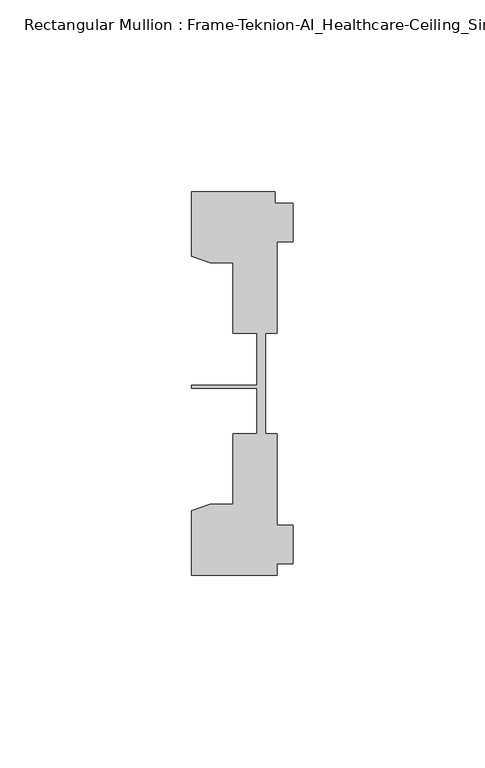
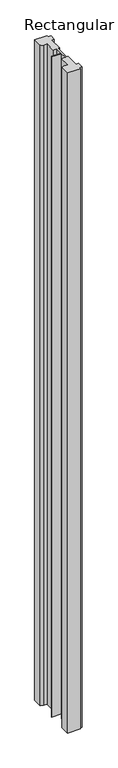
"""IFC4 building model written with IfcOpenShell, lengths in millimetres: member geometry, Rectangular Mullion : Frame-Teknion-AI_Healthcare-Ceiling_Single_Channel."""

from ifc_helpers import new_model, si_unit, frame, origin, place, context, project, spatial, polyline, outline, extrude, source, transform, mapped, element, save


def rectangular_mullion_frame_teknion_ai_healthcare_ceiling_c5bda0e4(model_context):
    return source(origin(), model_context, "Body", "SweptSolid", [
        extrude(outline(polyline([(-26.4921999, 34.0201677), (-26.4921999, 50.8315128), (-4.7752002, 50.8315128), (-4.7752002, 47.782071), (0.0, 47.782071), (0.0, 37.7820716), (-4.2672007, 37.7820716), (-4.2672007, 13.9110722), (-7.1647766, 13.9110722), (-7.1647766, 0.0814804), (-7.1647766, -12.2509301), (-4.2672007, -12.2509301), (-4.2672007, -36.1219249), (0.0, -36.1219249), (0.0, -46.1219322), (-4.2672007, -46.1219322), (-4.2672007, -49.1699293), (-26.4921999, -49.1699293), (-26.4921999, -32.3600207), (-21.6625199, -30.6279561), (-15.6737764, -30.6279561), (-15.6737764, -12.2509301), (-9.4507761, -12.2509301), (-9.4507761, -0.4036528), (-26.4921999, -0.4036528), (-26.4921999, 0.4036528), (-9.4507761, 0.4036528), (-9.4507761, 13.9110722), (-15.6737764, 13.9110722), (-15.6737764, 32.2880982), (-21.6625199, 32.2880982), (-26.4921999, 34.0201677)])), frame((0.0, 0.0, -1219.2), z_axis=(0.0, 0.0, 1.0), x_axis=(1.0, 0.0, 0.0)), (0.0, 0.0, 1.0), 1219.2),
    ])


if __name__ == "__main__":
    model = new_model("IFC4")
    model_context = context("Model", 3, world=origin())
    ifc_project = project(units=[si_unit("LENGTHUNIT", "METRE", prefix="MILLI")], contexts=[model_context])
    site = spatial("IfcSite", under=ifc_project)
    building = spatial("IfcBuilding", under=site)
    placement = place(None, origin())
    rectangular_mullion_frame_teknion_ai_healthcare_ceiling_shape = rectangular_mullion_frame_teknion_ai_healthcare_ceiling_c5bda0e4(model_context)
    element("IfcMember", 1, ObjectType="Rectangular Mullion : Frame-Teknion-AI_Healthcare-Ceiling_Single_Channel", at=placement, inside=building, context=model_context, shape_type="MappedRepresentation", body=[
        mapped(rectangular_mullion_frame_teknion_ai_healthcare_ceiling_shape, transform((0.0, 0.0, 0.0), x_axis=(1.0, 0.0, 0.0), y_axis=(0.0, 1.0, 0.0), z_axis=(0.0, 0.0, 1.0))),
    ])
    save(model, "model.ifc")
